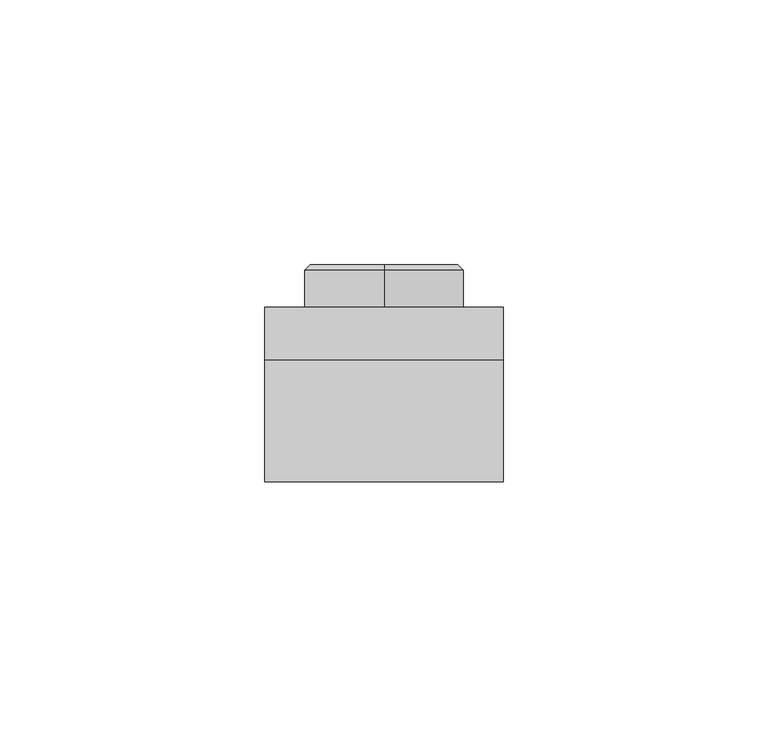
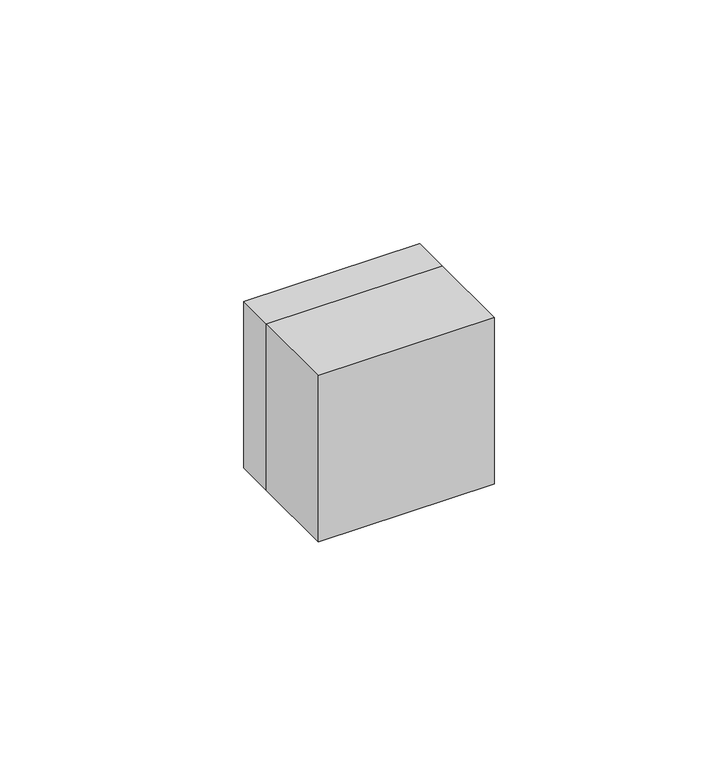
"""IFC4 building model written with IfcOpenShell, lengths in millimetres: switching device geometry."""

from ifc_helpers import new_model, si_unit, point, frame, origin, origin_2d, place, context, project, spatial, polyline, circle_curve, trimmed, segment, composite_curve, outline, extrude, source, transform, mapped, element, save
from ifc_brep_helpers import plane_surface, cylinder_surface, revolved_surface, advanced_brep


def switching_device_35986f30(model_context):
    return source(origin(), model_context, "Body", "SolidModel", [
        advanced_brep(
        [(0.0, 18.0, -14.0), (0.0, 18.0, 14.0), (0.0, 18.0, 0.0), (0.0, 0.0, -15.0), (0.0, 0.0, 15.0), (0.0, 17.0, 15.0), (0.0, 17.0, -15.0), (0.0, 0.0, 0.0)],
        [
            (0, 1, circle_curve(frame((0.0, 18.0, 0.0), z_axis=(0.0, 1.0, 0.0), x_axis=(0.0, 0.0, 1.0)), 14.0)),
            (1, 2),
            (2, 0),
            (1, 0, circle_curve(frame((0.0, 18.0, 0.0), z_axis=(0.0, 1.0, 0.0), x_axis=(0.0, 0.0, 1.0)), 14.0)),
            (3, 4, circle_curve(frame((0.0, 0.0, 0.0), z_axis=(0.0, 1.0, 0.0), x_axis=(0.0, 0.0, 1.0)), 15.0)),
            (4, 5),
            (5, 6, circle_curve(frame((0.0, 17.0, 0.0), z_axis=(0.0, -1.0, 0.0), x_axis=(0.0, 0.0, 1.0)), 15.0)),
            (6, 3),
            (4, 3, circle_curve(frame((0.0, 0.0, 0.0), z_axis=(0.0, 1.0, 0.0), x_axis=(0.0, 0.0, 1.0)), 15.0)),
            (6, 5, circle_curve(frame((0.0, 17.0, 0.0), z_axis=(0.0, -1.0, 0.0), x_axis=(0.0, 0.0, 1.0)), 15.0)),
            (7, 4),
            (3, 7),
            (5, 1),
            (0, 6),
        ],
        [
            plane_surface(frame((0.0, 18.0, 0.0), z_axis=(0.0, 1.0, 0.0), x_axis=(0.0, 0.0, 1.0))),
            cylinder_surface(frame((0.0, -2.1769912, 0.0), z_axis=(0.0, -1.0, 0.0), x_axis=(0.0, 0.0, 1.0)), 15.0),
            plane_surface(frame((0.0, 0.0, 0.0), z_axis=(0.0, -1.0, 0.0), x_axis=(0.0, 0.0, 1.0))),
            revolved_surface(polyline([(0.0, 18.0, 14.0), (0.0, 17.0, 15.0)]), (0.0, -2.1769912, 0.0), (0.0, -1.0, 0.0)),
        ],
        [
            (0, [[1, 2, 3]]),
            (0, [[4, -3, -2]]),
            (1, [[5, 6, 7, 8]]),
            (1, [[9, -8, 10, -6]]),
            (2, [[11, -5, 12]]),
            (2, [[-12, -9, -11]]),
            (3, [[-7, 13, -1, 14]]),
            (3, [[-10, -14, -4, -13]]),
        ],
    ),
        extrude(outline(polyline([(22.5, -23.0), (-22.5, -23.0), (-22.5, 0.0), (22.5, 0.0), (22.5, -23.0)])), frame((0.0, 0.0, -22.5), z_axis=(0.0, 0.0, 1.0), x_axis=(1.0, 0.0, 0.0)), (0.0, 0.0, 1.0), 45.0),
        extrude(outline(polyline([(22.5, 22.5), (22.5, -22.5), (-22.5, -22.5), (-22.5, 22.5), (22.5, 22.5)]), holes=[composite_curve([segment(trimmed(circle_curve(origin_2d(), 15.5), [point((15.5, 0.0))], [point((-15.5, 0.0))], True, "CARTESIAN"), True, "CONTINUOUS"), segment(trimmed(circle_curve(origin_2d(), 15.5), [point((-15.5, 0.0))], [point((15.5, 0.0))], True, "CARTESIAN"), True, "CONTINUOUS")], self_intersect=False)]), frame((0.0, 0.0, 0.0), z_axis=(0.0, 1.0, 0.0), x_axis=(0.0, 0.0, 1.0)), (0.0, 0.0, 1.0), 10.0),
    ])


if __name__ == "__main__":
    model = new_model("IFC4")
    model_context = context("Model", 3, world=origin())
    ifc_project = project(units=[si_unit("LENGTHUNIT", "METRE", prefix="MILLI")], contexts=[model_context])
    site = spatial("IfcSite", under=ifc_project)
    building = spatial("IfcBuilding", under=site)
    placement = place(None, origin())
    switching_device_shape = switching_device_35986f30(model_context)
    element("IfcSwitchingDevice", 1, at=placement, inside=building, context=model_context, shape_type="MappedRepresentation", body=[
        mapped(switching_device_shape, transform((0.0, 0.0, 0.0), x_axis=(1.0, 0.0, 0.0), y_axis=(0.0, 1.0, 0.0), z_axis=(0.0, 0.0, 1.0))),
    ])
    save(model, "model.ifc")
